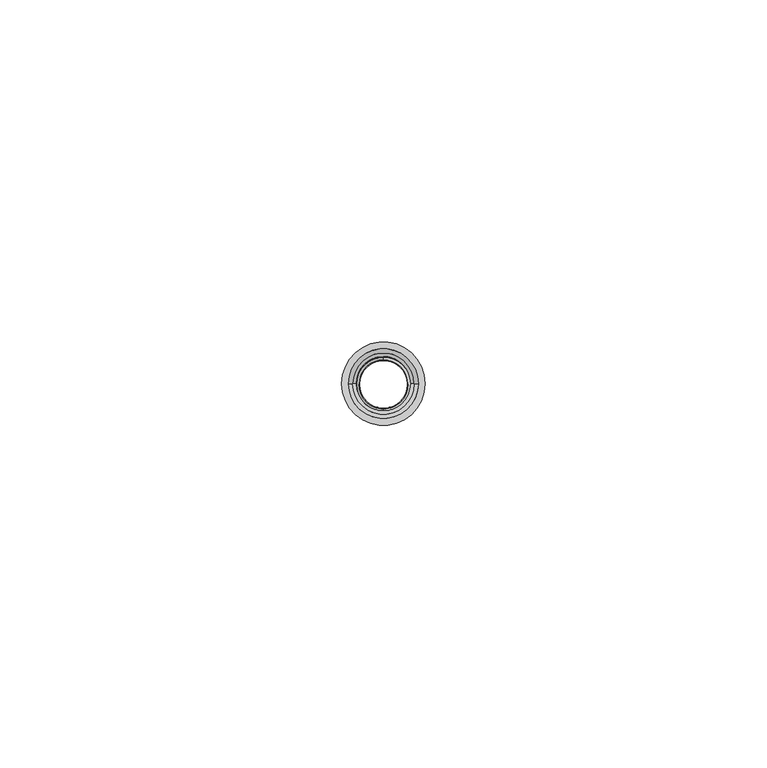
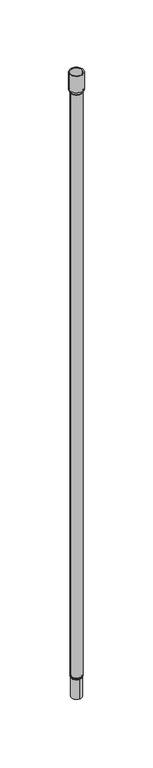
"""IFC4 building model written with IfcOpenShell, lengths in millimetres: proxy geometry."""

from ifc_helpers import new_model, si_unit, point, frame, origin, place, context, project, spatial, polyline, circle_curve, ellipse_curve, trimmed, source, transform, mapped, element, save
from ifc_brep_helpers import plane_surface, cylinder_surface, revolved_surface, advanced_brep


def generic_models_eb0fb134(model_context):
    return source(origin(), model_context, "Body", "AdvancedBrep", [
        advanced_brep(
        [(-5.0, 0.0, 0.0), (-5.0, 0.0, 542.0521194), (5.0, 0.0, 542.0521194), (5.0, 0.0, 0.0), (-4.0, 0.0, 542.0521194), (-4.0, 0.0, 0.0), (4.0, 0.0, 0.0), (4.0, 0.0, 542.0521194), (4.4888889, 0.0, 543.3622886), (-4.4888889, 0.0, 543.3622886), (5.1, 0.0, 545.0), (-5.1, 0.0, 545.0), (5.1, 0.0, 560.0), (-5.1, 0.0, 560.0), (6.1, 0.0, 545.0), (6.1, 0.0, 560.0), (-6.1, 0.0, 560.0), (-6.1, 0.0, 545.0), (5.2444444, 0.0, 542.707204), (-5.2444444, 0.0, 542.707204), (4.8997206, 0.0, -0.6253493), (-4.8997206, 0.0, -0.6253493), (0.0, -4.8997206, -0.6253493), (0.0, -4.5501397, -1.6873254), (0.0, 4.8997206, -0.6253493), (0.0, 4.5501397, -1.6873254), (-4.5501397, 0.0, -1.6873254), (4.5501397, 0.0, -1.6873254), (4.5, 0.0, -2.0), (0.0, 4.5, -2.0), (-4.5, 0.0, -2.0), (0.0, -4.5, -20.0), (0.0, -4.5, -2.0), (0.0, 4.5, -20.0), (0.0, -3.5, -20.0), (0.0, -3.5, -2.0), (3.5, 0.0, -2.0), (0.0, 3.5, -2.0), (0.0, 3.5, -20.0), (3.6002794, 0.0, -1.3746507), (-3.5, 0.0, -2.0), (-3.6002794, 0.0, -1.3746507), (0.0, -3.6002794, -1.3746507), (0.0, -3.9498603, -0.3126746), (3.9498603, 0.0, -0.3126746), (0.0, 3.9498603, -0.3126746), (0.0, 3.6002794, -1.3746507), (-3.9498603, 0.0, -0.3126746)],
        [
            (0, 1),
            (1, 2, circle_curve(frame((0.0, 0.0, 542.0521194), z_axis=(0.0, 0.0, -1.0), x_axis=(-1.0, 0.0, 0.0)), 5.0)),
            (2, 3),
            (3, 0, circle_curve(frame((0.0, 0.0, 0.0), z_axis=(0.0, 0.0, 1.0), x_axis=(-1.0, 0.0, 0.0)), 5.0)),
            (4, 5),
            (5, 6, circle_curve(frame((0.0, 0.0, 0.0), z_axis=(0.0, 0.0, -1.0), x_axis=(-1.0, 0.0, 0.0)), 4.0)),
            (6, 7),
            (7, 4, circle_curve(frame((0.0, 0.0, 542.0521194), z_axis=(0.0, 0.0, 1.0), x_axis=(-1.0, 0.0, 0.0)), 4.0)),
            (8, 7, circle_curve(frame((6.0, 0.0, 542.0521194), z_axis=(0.0, -1.0, 0.0), x_axis=(1.0, 0.0, 0.0)), 2.0)),
            (7, 4, circle_curve(frame((0.0, 0.0, 542.0521194), z_axis=(0.0, 0.0, -1.0), x_axis=(-1.0, 0.0, 0.0)), 4.0)),
            (4, 9, circle_curve(frame((-6.0, 0.0, 542.0521194), z_axis=(0.0, -1.0, 0.0), x_axis=(-1.0, 0.0, 0.0)), 2.0)),
            (9, 8, circle_curve(frame((0.0, 0.0, 543.3622886), z_axis=(0.0, 0.0, 1.0), x_axis=(-1.0, 0.0, 0.0)), 4.4888889)),
            (8, 10, circle_curve(frame((2.6, 0.0, 545.0), z_axis=(0.0, -1.0, 0.0), x_axis=(1.0, 0.0, 0.0)), 2.5)),
            (10, 11, circle_curve(frame((0.0, 0.0, 545.0), z_axis=(0.0, 0.0, 1.0), x_axis=(1.0, 0.0, 0.0)), 5.1)),
            (11, 9, circle_curve(frame((-2.6, 0.0, 545.0), z_axis=(0.0, -1.0, 0.0), x_axis=(-1.0, 0.0, 0.0)), 2.5)),
            (9, 8, circle_curve(frame((0.0, 0.0, 543.3622886), z_axis=(0.0, 0.0, -1.0), x_axis=(1.0, 0.0, 0.0)), 4.4888889)),
            (10, 12),
            (12, 13, circle_curve(frame((0.0, 0.0, 560.0), z_axis=(0.0, 0.0, 1.0), x_axis=(1.0, 0.0, 0.0)), 5.1)),
            (13, 11),
            (14, 15),
            (15, 16, circle_curve(frame((0.0, 0.0, 560.0), z_axis=(0.0, 0.0, -1.0), x_axis=(1.0, 0.0, 0.0)), 6.1)),
            (16, 17),
            (17, 14, circle_curve(frame((0.0, 0.0, 545.0), z_axis=(0.0, 0.0, 1.0), x_axis=(1.0, 0.0, 0.0)), 6.1)),
            (18, 14, circle_curve(frame((2.6, 0.0, 545.0), z_axis=(0.0, -1.0, 0.0), x_axis=(1.0, 0.0, 0.0)), 3.5)),
            (17, 19, circle_curve(frame((-2.6, 0.0, 545.0), z_axis=(0.0, -1.0, 0.0), x_axis=(-1.0, 0.0, 0.0)), 3.5)),
            (19, 18, circle_curve(frame((0.0, 0.0, 542.707204), z_axis=(0.0, 0.0, 1.0), x_axis=(-1.0, 0.0, 0.0)), 5.2444444)),
            (18, 2, circle_curve(frame((6.0, 0.0, 542.0521194), z_axis=(0.0, -1.0, 0.0), x_axis=(1.0, 0.0, 0.0)), 1.0)),
            (1, 19, circle_curve(frame((-6.0, 0.0, 542.0521194), z_axis=(0.0, -1.0, 0.0), x_axis=(-1.0, 0.0, 0.0)), 1.0)),
            (19, 18, circle_curve(frame((0.0, 0.0, 542.707204), z_axis=(0.0, 0.0, -1.0), x_axis=(1.0, 0.0, 0.0)), 5.2444444)),
            (20, 3, circle_curve(frame((3.0, 0.0, 0.0), z_axis=(0.0, -1.0, 0.0), x_axis=(1.0, 0.0, 0.0)), 2.0)),
            (3, 0, circle_curve(frame((0.0, 0.0, 0.0), z_axis=(0.0, 0.0, -1.0), x_axis=(-1.0, 0.0, 0.0)), 5.0)),
            (0, 21, circle_curve(frame((-3.0, 0.0, 0.0), z_axis=(0.0, -1.0, 0.0), x_axis=(-1.0, 0.0, 0.0)), 2.0)),
            (21, 22, circle_curve(frame((0.0, 0.0, -0.6253493), z_axis=(0.0, 0.0, 1.0), x_axis=(-1.0, 0.0, 0.0)), 4.8997206)),
            (22, 20, circle_curve(frame((0.0, 0.0, -0.6253493), z_axis=(0.0, 0.0, 1.0), x_axis=(-1.0, 0.0, 0.0)), 4.8997206)),
            (23, 22),
            (21, 24, circle_curve(frame((0.0, 0.0, -0.6253493), z_axis=(0.0, 0.0, -1.0), x_axis=(0.0, 1.0, 0.0)), 4.8997206)),
            (24, 25),
            (25, 26, circle_curve(frame((0.0, 0.0, -1.6873254), z_axis=(0.0, 0.0, 1.0), x_axis=(0.0, 1.0, 0.0)), 4.5501397)),
            (26, 23, circle_curve(frame((0.0, 0.0, -1.6873254), z_axis=(0.0, 0.0, 1.0), x_axis=(0.0, 1.0, 0.0)), 4.5501397)),
            (27, 28, circle_curve(frame((5.5, 0.0, -2.0), z_axis=(0.0, -1.0, 0.0), x_axis=(1.0, 0.0, 0.0)), 1.0)),
            (28, 29, circle_curve(frame((0.0, 0.0, -2.0), z_axis=(0.0, 0.0, 1.0), x_axis=(1.0, 0.0, 0.0)), 4.5)),
            (29, 30, circle_curve(frame((0.0, 0.0, -2.0), z_axis=(0.0, 0.0, 1.0), x_axis=(1.0, 0.0, 0.0)), 4.5)),
            (30, 26, circle_curve(frame((-5.5, 0.0, -2.0), z_axis=(0.0, -1.0, 0.0), x_axis=(-1.0, 0.0, 0.0)), 1.0)),
            (25, 27, circle_curve(frame((0.0, 0.0, -1.6873254), z_axis=(0.0, 0.0, -1.0), x_axis=(1.0, 0.0, 0.0)), 4.5501397)),
            (31, 32),
            (32, 30, circle_curve(frame((0.0, 0.0, -2.0), z_axis=(0.0, 0.0, -1.0), x_axis=(0.0, -1.0, 0.0)), 4.5)),
            (29, 33),
            (33, 31, circle_curve(frame((0.0, 0.0, -20.0), z_axis=(0.0, 0.0, 1.0), x_axis=(0.0, -1.0, 0.0)), 4.5)),
            (34, 35),
            (35, 36, circle_curve(frame((0.0, 0.0, -2.0), z_axis=(0.0, 0.0, 1.0), x_axis=(0.0, -1.0, 0.0)), 3.5)),
            (36, 37, circle_curve(frame((0.0, 0.0, -2.0), z_axis=(0.0, 0.0, 1.0), x_axis=(0.0, -1.0, 0.0)), 3.5)),
            (37, 38),
            (38, 34, circle_curve(frame((0.0, 0.0, -20.0), z_axis=(0.0, 0.0, -1.0), x_axis=(0.0, -1.0, 0.0)), 3.5)),
            (39, 36, circle_curve(frame((5.5, 0.0, -2.0), z_axis=(0.0, -1.0, 0.0), x_axis=(1.0, 0.0, 0.0)), 2.0)),
            (35, 40, circle_curve(frame((0.0, 0.0, -2.0), z_axis=(0.0, 0.0, -1.0), x_axis=(-1.0, 0.0, 0.0)), 3.5)),
            (40, 41, circle_curve(frame((-5.5, 0.0, -2.0), z_axis=(0.0, -1.0, 0.0), x_axis=(-1.0, 0.0, 0.0)), 2.0)),
            (41, 42, circle_curve(frame((0.0, 0.0, -1.3746507), z_axis=(0.0, 0.0, 1.0), x_axis=(-1.0, 0.0, 0.0)), 3.6002794)),
            (42, 39, circle_curve(frame((0.0, 0.0, -1.3746507), z_axis=(0.0, 0.0, 1.0), x_axis=(-1.0, 0.0, 0.0)), 3.6002794)),
            (42, 43),
            (43, 44, circle_curve(frame((0.0, 0.0, -0.3126746), z_axis=(0.0, 0.0, 1.0), x_axis=(0.0, -1.0, 0.0)), 3.9498603)),
            (44, 45, circle_curve(frame((0.0, 0.0, -0.3126746), z_axis=(0.0, 0.0, 1.0), x_axis=(0.0, -1.0, 0.0)), 3.9498603)),
            (45, 46),
            (46, 39, circle_curve(frame((0.0, 0.0, -1.3746507), z_axis=(0.0, 0.0, -1.0), x_axis=(0.0, -1.0, 0.0)), 3.6002794)),
            (44, 6, circle_curve(frame((3.0, 0.0, 0.0), z_axis=(0.0, -1.0, 0.0), x_axis=(1.0, 0.0, 0.0)), 1.0)),
            (5, 47, circle_curve(frame((-3.0, 0.0, 0.0), z_axis=(0.0, -1.0, 0.0), x_axis=(-1.0, 0.0, 0.0)), 1.0)),
            (47, 45, circle_curve(frame((0.0, 0.0, -0.3126746), z_axis=(0.0, 0.0, -1.0), x_axis=(1.0, 0.0, 0.0)), 3.9498603)),
            (43, 47, circle_curve(frame((0.0, 0.0, -0.3126746), z_axis=(0.0, 0.0, -1.0), x_axis=(-1.0, 0.0, 0.0)), 3.9498603)),
            (5, 6, circle_curve(frame((0.0, 0.0, 0.0), z_axis=(0.0, 0.0, 1.0), x_axis=(-1.0, 0.0, 0.0)), 4.0)),
            (41, 46, circle_curve(frame((0.0, 0.0, -1.3746507), z_axis=(0.0, 0.0, -1.0), x_axis=(0.0, 1.0, 0.0)), 3.6002794)),
            (40, 37, circle_curve(frame((0.0, 0.0, -2.0), z_axis=(0.0, 0.0, -1.0), x_axis=(1.0, 0.0, 0.0)), 3.5)),
            (34, 38, circle_curve(frame((0.0, 0.0, -20.0), z_axis=(0.0, 0.0, -1.0), x_axis=(0.0, -1.0, 0.0)), 3.5)),
            (33, 31, circle_curve(frame((0.0, 0.0, -20.0), z_axis=(0.0, 0.0, -1.0), x_axis=(0.0, -1.0, 0.0)), 4.5)),
            (28, 32, circle_curve(frame((0.0, 0.0, -2.0), z_axis=(0.0, 0.0, -1.0), x_axis=(0.0, -1.0, 0.0)), 4.5)),
            (27, 23, circle_curve(frame((0.0, 0.0, -1.6873254), z_axis=(0.0, 0.0, -1.0), x_axis=(-1.0, 0.0, 0.0)), 4.5501397)),
            (24, 20, circle_curve(frame((0.0, 0.0, -0.6253493), z_axis=(0.0, 0.0, -1.0), x_axis=(0.0, -1.0, 0.0)), 4.8997206)),
            (1, 2, circle_curve(frame((0.0, 0.0, 542.0521194), z_axis=(0.0, 0.0, 1.0), x_axis=(-1.0, 0.0, 0.0)), 5.0)),
            (17, 14, circle_curve(frame((0.0, 0.0, 545.0), z_axis=(0.0, 0.0, -1.0), x_axis=(1.0, 0.0, 0.0)), 6.1)),
            (16, 15, circle_curve(frame((0.0, 0.0, 560.0), z_axis=(0.0, 0.0, -1.0), x_axis=(1.0, 0.0, 0.0)), 6.1)),
            (12, 13, circle_curve(frame((0.0, 0.0, 560.0), z_axis=(0.0, 0.0, -1.0), x_axis=(1.0, 0.0, 0.0)), 5.1)),
            (10, 11, circle_curve(frame((0.0, 0.0, 545.0), z_axis=(0.0, 0.0, -1.0), x_axis=(1.0, 0.0, 0.0)), 5.1)),
        ],
        [
            cylinder_surface(frame((0.0, 0.0, 0.0), z_axis=(0.0, 0.0, 1.0), x_axis=(-1.0, 0.0, 0.0)), 5.0),
            revolved_surface(polyline([(-4.0, 0.0, 542.0521194), (-4.0, 0.0, 0.0)]), (0.0, 0.0, 0.0), (0.0, 0.0, 1.0)),
            revolved_surface(trimmed(ellipse_curve(frame((-6.0, 0.0, 542.0521194), z_axis=(0.0, 1.0, 0.0), x_axis=(-1.0, 0.0, 0.0)), 2.0, 2.0), [point((-4.4888889, 0.0, 543.3622886))], [point((-4.0, 0.0, 542.0521194))], True, "CARTESIAN"), (0.0, 0.0, 542.0521194), (0.0, 0.0, 1.0)),
            revolved_surface(trimmed(ellipse_curve(frame((2.6, 0.0, 545.0), z_axis=(0.0, 1.0, 0.0), x_axis=(1.0, 0.0, 0.0)), 2.5, 2.5), [point((5.1, 0.0, 545.0))], [point((4.4888889, 0.0, 543.3622886))], True, "CARTESIAN"), (0.0, 0.0, 545.0), (0.0, 0.0, 1.0)),
            revolved_surface(polyline([(5.1, 0.0, 560.0), (5.1, 0.0, 545.0)]), (0.0, 0.0, 552.5), (0.0, 0.0, 1.0)),
            cylinder_surface(frame((0.0, 0.0, 552.5), z_axis=(0.0, 0.0, 1.0), x_axis=(1.0, 0.0, 0.0)), 6.1),
            revolved_surface(trimmed(ellipse_curve(frame((-2.6, 0.0, 545.0), z_axis=(0.0, 1.0, 0.0), x_axis=(-1.0, 0.0, 0.0)), 3.5, 3.5), [point((-5.2444444, 0.0, 542.707204))], [point((-6.1, 0.0, 545.0))], True, "CARTESIAN"), (0.0, 0.0, 545.0), (0.0, 0.0, 1.0)),
            revolved_surface(trimmed(ellipse_curve(frame((6.0, 0.0, 542.0521194), z_axis=(0.0, 1.0, 0.0), x_axis=(1.0, 0.0, 0.0)), 1.0, 1.0), [point((5.0, 0.0, 542.0521194))], [point((5.2444444, 0.0, 542.707204))], True, "CARTESIAN"), (0.0, 0.0, 542.0521194), (0.0, 0.0, 1.0)),
            revolved_surface(trimmed(ellipse_curve(frame((-3.0, 0.0, 0.0), z_axis=(0.0, 1.0, 0.0), x_axis=(-1.0, 0.0, 0.0)), 2.0, 2.0), [point((-4.8997206, 0.0, -0.6253493))], [point((-5.0, 0.0, 0.0))], True, "CARTESIAN"), (0.0, 0.0, 0.0), (0.0, 0.0, 1.0)),
            revolved_surface(polyline([(0.0, -4.550139722687953, -1.6873254000000006), (0.0, -4.8997206, -0.6253492999999999)]), (0.0, 0.0, -15.5099912), (0.0, 0.0, 1.0)),
            revolved_surface(trimmed(ellipse_curve(frame((5.5, 0.0, -2.0), z_axis=(0.0, 1.0, 0.0), x_axis=(1.0, 0.0, 0.0)), 1.0, 1.0), [point((4.5, 0.0, -2.0))], [point((4.5501397, 0.0, -1.6873254))], True, "CARTESIAN"), (0.0, 0.0, -2.0), (0.0, 0.0, 1.0)),
            cylinder_surface(frame((0.0, 0.0, -11.0), z_axis=(0.0, 0.0, 1.0), x_axis=(0.0, -1.0, 0.0)), 4.5),
            revolved_surface(polyline([(0.0, -3.5, -2.0), (0.0, -3.5, -20.0)]), (0.0, 0.0, -11.0), (0.0, 0.0, 1.0)),
            revolved_surface(trimmed(ellipse_curve(frame((-5.5, 0.0, -2.0), z_axis=(0.0, 1.0, 0.0), x_axis=(-1.0, 0.0, 0.0)), 2.0, 2.0), [point((-3.6002794, 0.0, -1.3746507))], [point((-3.5, 0.0, -2.0))], True, "CARTESIAN"), (0.0, 0.0, -2.0), (0.0, 0.0, 1.0)),
            revolved_surface(polyline([(0.0, -3.9498603, -0.31267459999999936), (0.0, -3.6002794253032797, -1.3746507000000001)]), (0.0, 0.0, -12.3117785), (0.0, 0.0, 1.0)),
            revolved_surface(trimmed(ellipse_curve(frame((3.0, 0.0, 0.0), z_axis=(0.0, 1.0, 0.0), x_axis=(1.0, 0.0, 0.0)), 1.0, 1.0), [point((4.0, 0.0, 0.0))], [point((3.9498603, 0.0, -0.3126746))], True, "CARTESIAN"), (0.0, 0.0, 0.0), (0.0, 0.0, 1.0)),
            revolved_surface(trimmed(ellipse_curve(frame((-3.0, 0.0, 0.0), z_axis=(0.0, -1.0, 0.0), x_axis=(-1.0, 0.0, 0.0)), 1.0, 1.0), [point((-4.0, 0.0, 0.0))], [point((-3.9498603, 0.0, -0.3126746))], True, "CARTESIAN"), (0.0, 0.0, 0.0), (0.0, 0.0, 1.0)),
            revolved_surface(trimmed(ellipse_curve(frame((5.5, 0.0, -2.0), z_axis=(0.0, -1.0, 0.0), x_axis=(1.0, 0.0, 0.0)), 2.0, 2.0), [point((3.6002794, 0.0, -1.3746507))], [point((3.5, 0.0, -2.0))], True, "CARTESIAN"), (0.0, 0.0, -2.0), (0.0, 0.0, 1.0)),
            plane_surface(frame((0.0, -4.0, -20.0), z_axis=(0.0, 0.0, -1.0), x_axis=(-1.0, 0.0, 0.0))),
            revolved_surface(trimmed(ellipse_curve(frame((-5.5, 0.0, -2.0), z_axis=(0.0, -1.0, 0.0), x_axis=(-1.0, 0.0, 0.0)), 1.0, 1.0), [point((-4.5, 0.0, -2.0))], [point((-4.5501397, 0.0, -1.6873254))], True, "CARTESIAN"), (0.0, 0.0, -2.0), (0.0, 0.0, 1.0)),
            revolved_surface(trimmed(ellipse_curve(frame((3.0, 0.0, 0.0), z_axis=(0.0, -1.0, 0.0), x_axis=(1.0, 0.0, 0.0)), 2.0, 2.0), [point((4.8997206, 0.0, -0.6253493))], [point((5.0, 0.0, 0.0))], True, "CARTESIAN"), (0.0, 0.0, 0.0), (0.0, 0.0, 1.0)),
            revolved_surface(trimmed(ellipse_curve(frame((-6.0, 0.0, 542.0521194), z_axis=(0.0, -1.0, 0.0), x_axis=(-1.0, 0.0, 0.0)), 1.0, 1.0), [point((-5.0, 0.0, 542.0521194))], [point((-5.2444444, 0.0, 542.707204))], True, "CARTESIAN"), (0.0, 0.0, 542.0521194), (0.0, 0.0, 1.0)),
            revolved_surface(trimmed(ellipse_curve(frame((2.6, 0.0, 545.0), z_axis=(0.0, -1.0, 0.0), x_axis=(1.0, 0.0, 0.0)), 3.5, 3.5), [point((5.2444444, 0.0, 542.707204))], [point((6.1, 0.0, 545.0))], True, "CARTESIAN"), (0.0, 0.0, 545.0), (0.0, 0.0, 1.0)),
            plane_surface(frame((5.6, 0.0, 560.0), z_axis=(0.0, 0.0, 1.0), x_axis=(1.0, 0.0, 0.0))),
            revolved_surface(trimmed(ellipse_curve(frame((-2.6, 0.0, 545.0), z_axis=(0.0, -1.0, 0.0), x_axis=(-1.0, 0.0, 0.0)), 2.5, 2.5), [point((-5.1, 0.0, 545.0))], [point((-4.4888889, 0.0, 543.3622886))], True, "CARTESIAN"), (0.0, 0.0, 545.0), (0.0, 0.0, 1.0)),
            revolved_surface(trimmed(ellipse_curve(frame((6.0, 0.0, 542.0521194), z_axis=(0.0, -1.0, 0.0), x_axis=(1.0, 0.0, 0.0)), 2.0, 2.0), [point((4.4888889, 0.0, 543.3622886))], [point((4.0, 0.0, 542.0521194))], True, "CARTESIAN"), (0.0, 0.0, 542.0521194), (0.0, 0.0, 1.0)),
        ],
        [
            (0, [[1, 2, 3, 4]]),
            (1, [[5, 6, 7, 8]]),
            (2, [[9, 10, 11, 12]]),
            (3, [[13, 14, 15, 16]]),
            (4, [[17, 18, 19, -14]]),
            (5, [[20, 21, 22, 23]]),
            (6, [[24, -23, 25, 26]]),
            (7, [[27, -2, 28, 29]]),
            (8, [[30, 31, 32, 33, 34]]),
            (9, [[35, -33, 36, 37, 38, 39]]),
            (10, [[40, 41, 42, 43, -38, 44]]),
            (11, [[45, 46, -42, 47, 48]]),
            (12, [[49, 50, 51, 52, 53]]),
            (13, [[54, -50, 55, 56, 57, 58]]),
            (14, [[59, 60, 61, 62, 63, -58]]),
            (15, [[64, -6, 65, 66, -61]]),
            (16, [[-64, -60, 67, -65, 68]]),
            (14, [[-59, -57, 69, -62, -66, -67]]),
            (17, [[-54, -63, -69, -56, 70, -51]]),
            (12, [[-49, 71, -52, -70, -55]]),
            (18, [[72, -48], [-53, -71]]),
            (11, [[-45, -72, -47, -41, 73]]),
            (19, [[-40, 74, -39, -43, -46, -73]]),
            (9, [[-35, -74, -44, -37, 75, -34]]),
            (20, [[-30, -75, -36, -32, -4]]),
            (21, [[-27, -26, -28, 76]]),
            (22, [[-24, -29, -25, 77]]),
            (5, [[-20, -77, -22, 78]]),
            (23, [[-78, -21], [-18, 79]]),
            (4, [[-17, 80, -19, -79]]),
            (24, [[-13, -12, -15, -80]]),
            (25, [[-9, -16, -11, -8]]),
            (1, [[-5, -10, -7, -68]]),
            (0, [[-1, -31, -3, -76]]),
        ],
    ),
    ])


if __name__ == "__main__":
    model = new_model("IFC4")
    model_context = context("Model", 3, world=origin())
    ifc_project = project(units=[si_unit("LENGTHUNIT", "METRE", prefix="MILLI")], contexts=[model_context])
    site = spatial("IfcSite", under=ifc_project)
    building = spatial("IfcBuilding", under=site)
    placement = place(None, origin())
    generic_models_shape = generic_models_eb0fb134(model_context)
    element("IfcBuildingElementProxy", 1, Name="Generic Models", at=placement, inside=building, context=model_context, shape_type="MappedRepresentation", body=[
        mapped(generic_models_shape, transform((0.0, 0.0, 0.0), x_axis=(1.0, 0.0, 0.0), y_axis=(0.0, 1.0, 0.0), z_axis=(0.0, 0.0, 1.0))),
    ])
    save(model, "model.ifc")
